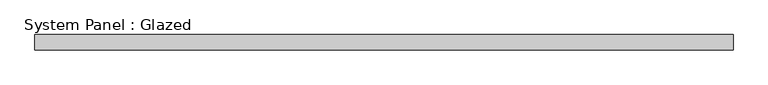
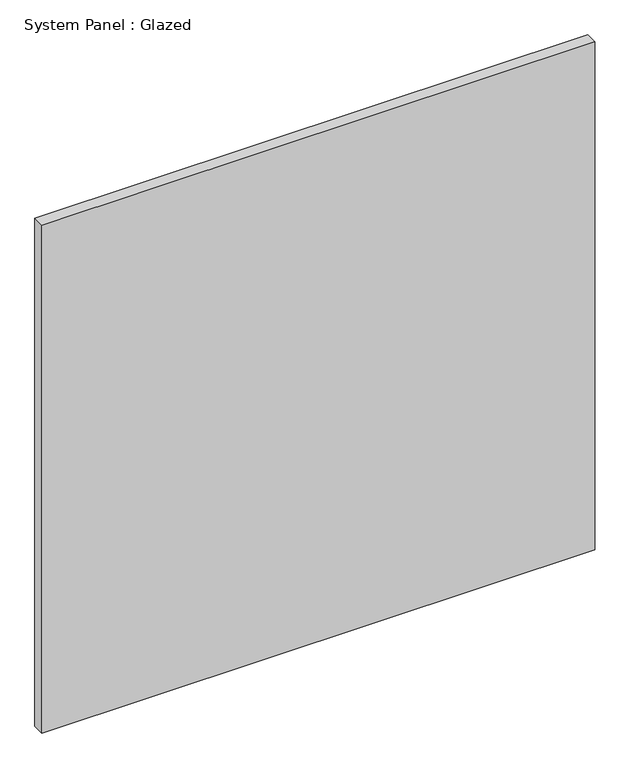
"""IFC4 building model written with IfcOpenShell, lengths in millimetres: plate geometry, System Panel : Glazed."""

from ifc_helpers import new_model, si_unit, origin, origin_with_axes, place, context, project, spatial, polyline, outline, extrude, source, transform, mapped, element, save


def system_panel_glazed_53979710(model_context):
    return source(origin(), model_context, "Body", "SweptSolid", [
        extrude(outline(polyline([(578.64375, -44.45), (-578.64375, -44.45), (-578.64375, -19.05), (578.64375, -19.05), (578.64375, -44.45)])), origin_with_axes(), (0.0, 0.0, 1.0), 1123.95),
    ])


if __name__ == "__main__":
    model = new_model("IFC4")
    model_context = context("Model", 3, world=origin())
    ifc_project = project(units=[si_unit("LENGTHUNIT", "METRE", prefix="MILLI")], contexts=[model_context])
    site = spatial("IfcSite", under=ifc_project)
    building = spatial("IfcBuilding", under=site)
    placement = place(None, origin())
    system_panel_glazed_shape = system_panel_glazed_53979710(model_context)
    element("IfcPlate", 1, ObjectType="System Panel : Glazed", at=placement, inside=building, context=model_context, shape_type="MappedRepresentation", body=[
        mapped(system_panel_glazed_shape, transform((0.0, 0.0, 0.0), x_axis=(1.0, 0.0, 0.0), y_axis=(0.0, 1.0, 0.0), z_axis=(0.0, 0.0, 1.0))),
    ])
    save(model, "model.ifc")
